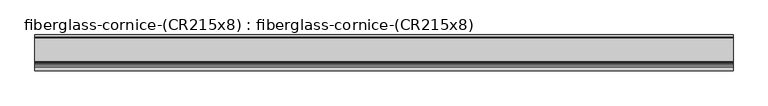
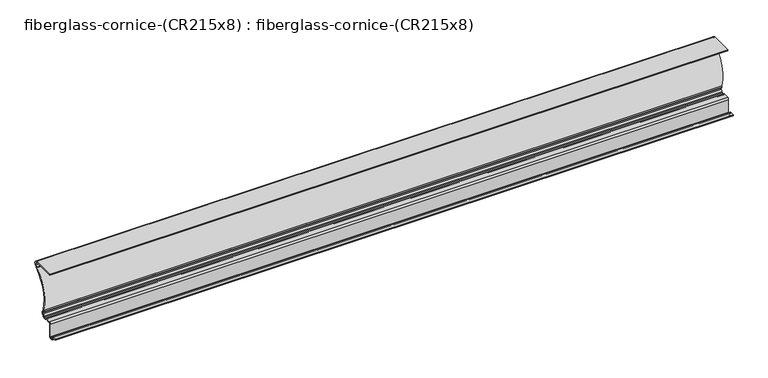
"""IFC4 building model written with IfcOpenShell, lengths in millimetres: furniture geometry, fiberglass-cornice-(CR215x8) : fiberglass-cornice-(CR215x8)."""

from ifc_helpers import new_model, si_unit, point, frame, frame_2d, origin, place, context, project, spatial, polyline, circle_curve, trimmed, segment, composite_curve, outline, extrude, source, transform, mapped, element, save


def fiberglass_cornice_cr215x8_fiberglass_cornice_cr215x8_2fbd18c1(model_context):
    return source(origin(), model_context, "Body", "SweptSolid", [
        extrude(outline(composite_curve([segment(trimmed(circle_curve(frame_2d((288.0664507, 320.6749904)), 9.525), [point((288.0664507, 330.1999904))], [point((296.5068607, 325.0891838))], False, "CARTESIAN"), True, "CONTINUOUS"), segment(trimmed(circle_curve(frame_2d((299.3203307, 326.5605816)), 3.175), [point((296.5068607, 325.0891838))], [point((298.4826795, 323.4980719))], True, "CARTESIAN"), True, "CONTINUOUS"), segment(trimmed(circle_curve(frame_2d((294.9514621, 310.5877015)), 13.3845867), [point((298.4826795, 323.4980719))], [point((298.4826795, 297.677331))], False, "CARTESIAN"), True, "CONTINUOUS"), segment(trimmed(circle_curve(frame_2d((299.3203307, 294.6148214)), 3.175), [point((298.4826795, 297.677331))], [point((296.1453307, 294.6148214))], True, "CARTESIAN"), True, "CONTINUOUS"), segment(polyline([(296.1453307, 294.6148214), (296.1453307, 290.8692838)]), True, "CONTINUOUS"), segment(trimmed(circle_curve(frame_2d((292.9703307, 290.8692838)), 3.175), [point((296.1453307, 290.8692838))], [point((294.8166104, 288.2862862))], False, "CARTESIAN"), True, "CONTINUOUS"), segment(trimmed(circle_curve(frame_2d((408.2430896, 129.5994252)), 195.0566226), [point((294.8166104, 288.2862862))], [point((223.0000766, 68.5084098))], True, "CARTESIAN"), True, "CONTINUOUS"), segment(trimmed(circle_curve(frame_2d((219.9848159, 67.5140115)), 3.175), [point((223.0000766, 68.5084098))], [point((223.1598159, 67.5140115))], False, "CARTESIAN"), True, "CONTINUOUS"), segment(polyline([(223.1598159, 67.5140115), (223.1598159, 58.2311008)]), True, "CONTINUOUS"), segment(trimmed(circle_curve(frame_2d((226.3348159, 58.2311008)), 3.175), [point((223.1598159, 58.2311008))], [point((225.5074249, 55.1658033))], True, "CARTESIAN"), True, "CONTINUOUS"), segment(trimmed(circle_curve(frame_2d((222.5047417, 44.0415375)), 11.5223867), [point((225.5074249, 55.1658033))], [point((225.5074249, 32.9172717))], False, "CARTESIAN"), True, "CONTINUOUS"), segment(trimmed(circle_curve(frame_2d((226.3348159, 29.8519741)), 3.175), [point((225.5074249, 32.9172717))], [point((223.1598159, 29.8519741))], True, "CARTESIAN"), True, "CONTINUOUS"), segment(polyline([(223.1598159, 29.8519741), (223.1003256, 28.2040064)]), True, "CONTINUOUS"), segment(trimmed(circle_curve(frame_2d((213.6348159, 29.2669033)), 9.525), [point((223.1003256, 28.2040064))], [point((213.6348159, 19.7419033))], False, "CARTESIAN"), True, "CONTINUOUS"), segment(polyline([(213.6348159, 19.7419033), (201.5677715, 19.7419033)]), True, "CONTINUOUS"), segment(trimmed(circle_curve(frame_2d((201.5677715, 29.2669033)), 9.525), [point((201.5677715, 19.7419033))], [point((194.4194595, 22.9718846))], False, "CARTESIAN"), True, "CONTINUOUS"), segment(trimmed(circle_curve(frame_2d((192.0366888, 20.873545)), 3.175), [point((194.4194595, 22.9718846))], [point((192.0366888, 24.048545))], True, "CARTESIAN"), True, "CONTINUOUS"), segment(polyline([(192.0366888, 24.048545), (158.8834412, 24.048545)]), True, "CONTINUOUS"), segment(trimmed(circle_curve(frame_2d((158.8834412, 20.873545)), 3.175), [point((158.8834412, 24.048545))], [point((155.7084412, 20.873545))], True, "CARTESIAN"), True, "CONTINUOUS"), segment(polyline([(155.7084412, 20.873545), (155.7084412, -58.304862)]), True, "CONTINUOUS"), segment(trimmed(circle_curve(frame_2d((146.1834412, -58.304862)), 9.525), [point((155.7084412, -58.304862))], [point((146.1834412, -67.829862))], False, "CARTESIAN"), True, "CONTINUOUS"), segment(polyline([(146.1834412, -67.829862), (136.525, -67.829862)]), True, "CONTINUOUS"), segment(trimmed(circle_curve(frame_2d((136.525, -58.304862)), 9.525), [point((136.525, -67.829862))], [point((127.0, -58.304862))], False, "CARTESIAN"), True, "CONTINUOUS"), segment(polyline([(127.0, -58.304862), (127.0, -53.9258182)]), True, "CONTINUOUS"), segment(trimmed(circle_curve(frame_2d((123.825, -53.9258182)), 3.175), [point((127.0, -53.9258182))], [point((123.825, -50.7508182))], True, "CARTESIAN"), True, "CONTINUOUS"), segment(polyline([(123.825, -50.7508182), (101.6, -50.7508182), (101.6, -44.4008182), (123.825, -44.4008182)]), True, "CONTINUOUS"), segment(trimmed(circle_curve(frame_2d((123.825, -53.9258182)), 9.525), [point((123.825, -44.4008182))], [point((133.35, -53.9258182))], False, "CARTESIAN"), True, "CONTINUOUS"), segment(polyline([(133.35, -53.9258182), (133.35, -58.304862)]), True, "CONTINUOUS"), segment(trimmed(circle_curve(frame_2d((136.525, -58.304862)), 3.175), [point((133.35, -58.304862))], [point((136.525, -61.479862))], True, "CARTESIAN"), True, "CONTINUOUS"), segment(polyline([(136.525, -61.479862), (146.1834412, -61.479862)]), True, "CONTINUOUS"), segment(trimmed(circle_curve(frame_2d((146.1834412, -58.304862)), 3.175), [point((146.1834412, -61.479862))], [point((149.3584412, -58.304862))], True, "CARTESIAN"), True, "CONTINUOUS"), segment(polyline([(149.3584412, -58.304862), (149.3584412, 20.873545)]), True, "CONTINUOUS"), segment(trimmed(circle_curve(frame_2d((158.8834412, 20.873545)), 9.525), [point((149.3584412, 20.873545))], [point((158.8834412, 30.398545))], False, "CARTESIAN"), True, "CONTINUOUS"), segment(polyline([(158.8834412, 30.398545), (192.0366888, 30.398545)]), True, "CONTINUOUS"), segment(trimmed(circle_curve(frame_2d((192.0366888, 20.873545)), 9.525), [point((192.0366888, 30.398545))], [point((199.1850008, 27.1685637))], False, "CARTESIAN"), True, "CONTINUOUS"), segment(trimmed(circle_curve(frame_2d((201.5677715, 29.2669033)), 3.175), [point((199.1850008, 27.1685637))], [point((201.5677715, 26.0919033))], True, "CARTESIAN"), True, "CONTINUOUS"), segment(polyline([(201.5677715, 26.0919033), (213.6348159, 26.0919033)]), True, "CONTINUOUS"), segment(trimmed(circle_curve(frame_2d((213.6348159, 29.2669033)), 3.175), [point((213.6348159, 26.0919033))], [point((216.7459462, 28.6332686))], True, "CARTESIAN"), True, "CONTINUOUS"), segment(polyline([(216.7459462, 28.6332686), (216.8098159, 29.8519741)]), True, "CONTINUOUS"), segment(trimmed(circle_curve(frame_2d((226.3348159, 29.8519741)), 9.525), [point((216.8098159, 29.8519741))], [point((223.8526428, 39.0478668))], False, "CARTESIAN"), True, "CONTINUOUS"), segment(trimmed(circle_curve(frame_2d((222.5047417, 44.0415375)), 5.1723867), [point((223.8526428, 39.0478668))], [point((223.8526428, 49.0352082))], True, "CARTESIAN"), True, "CONTINUOUS"), segment(trimmed(circle_curve(frame_2d((226.3348159, 58.2311008)), 9.525), [point((223.8526428, 49.0352082))], [point((216.8098159, 58.2311008))], False, "CARTESIAN"), True, "CONTINUOUS"), segment(polyline([(216.8098159, 58.2311008), (216.8098159, 66.5021977)]), True, "CONTINUOUS"), segment(trimmed(circle_curve(frame_2d((213.6348159, 66.5021977)), 3.175), [point((216.8098159, 66.5021977))], [point((216.6550347, 67.4814337))], True, "CARTESIAN"), True, "CONTINUOUS"), segment(trimmed(circle_curve(frame_2d((408.2430896, 129.5994252)), 201.4066226), [point((216.6550347, 67.4814337))], [point((288.5177042, 291.5576289))], False, "CARTESIAN"), True, "CONTINUOUS"), segment(trimmed(circle_curve(frame_2d((286.6303378, 294.1107589)), 3.175), [point((288.5177042, 291.5576289))], [point((289.802836, 294.2367745))], True, "CARTESIAN"), True, "CONTINUOUS"), segment(trimmed(circle_curve(frame_2d((299.3203307, 294.6148214)), 9.525), [point((289.802836, 294.2367745))], [point((296.8073771, 303.8023503))], False, "CARTESIAN"), True, "CONTINUOUS"), segment(trimmed(circle_curve(frame_2d((294.9514621, 310.5877015)), 7.0345867), [point((296.8073771, 303.8023503))], [point((296.8073771, 317.3730526))], True, "CARTESIAN"), True, "CONTINUOUS"), segment(trimmed(circle_curve(frame_2d((299.3203307, 326.5605816)), 9.525), [point((296.8073771, 317.3730526))], [point((290.8799207, 322.1463882))], False, "CARTESIAN"), True, "CONTINUOUS"), segment(trimmed(circle_curve(frame_2d((288.0664507, 320.6749904)), 3.175), [point((290.8799207, 322.1463882))], [point((288.0664507, 323.8499904))], True, "CARTESIAN"), True, "CONTINUOUS"), segment(polyline([(288.0664507, 323.8499904), (155.7084412, 323.8499904), (155.7084412, 330.1999904), (288.0664507, 330.1999904)]), True, "CONTINUOUS")], self_intersect=False)), frame((-2012.9498044, 0.0, 0.0), z_axis=(1.0, 0.0, 0.0), x_axis=(0.0, 1.0, 0.0)), (0.0, 0.0, 1.0), 4025.8996087),
    ])


if __name__ == "__main__":
    model = new_model("IFC4")
    model_context = context("Model", 3, world=origin())
    ifc_project = project(units=[si_unit("LENGTHUNIT", "METRE", prefix="MILLI")], contexts=[model_context])
    site = spatial("IfcSite", under=ifc_project)
    building = spatial("IfcBuilding", under=site)
    placement = place(None, origin())
    fiberglass_cornice_cr215x8_fiberglass_cornice_cr215x8_shape = fiberglass_cornice_cr215x8_fiberglass_cornice_cr215x8_2fbd18c1(model_context)
    element("IfcFurniture", 1, ObjectType="fiberglass-cornice-(CR215x8) : fiberglass-cornice-(CR215x8)", at=placement, inside=building, context=model_context, shape_type="MappedRepresentation", body=[
        mapped(fiberglass_cornice_cr215x8_fiberglass_cornice_cr215x8_shape, transform((0.0, 0.0, 0.0), x_axis=(1.0, 0.0, 0.0), y_axis=(0.0, 1.0, 0.0), z_axis=(0.0, 0.0, 1.0))),
    ])
    save(model, "model.ifc")
